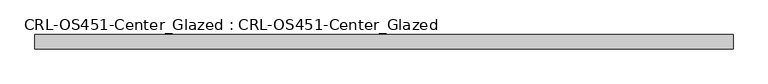
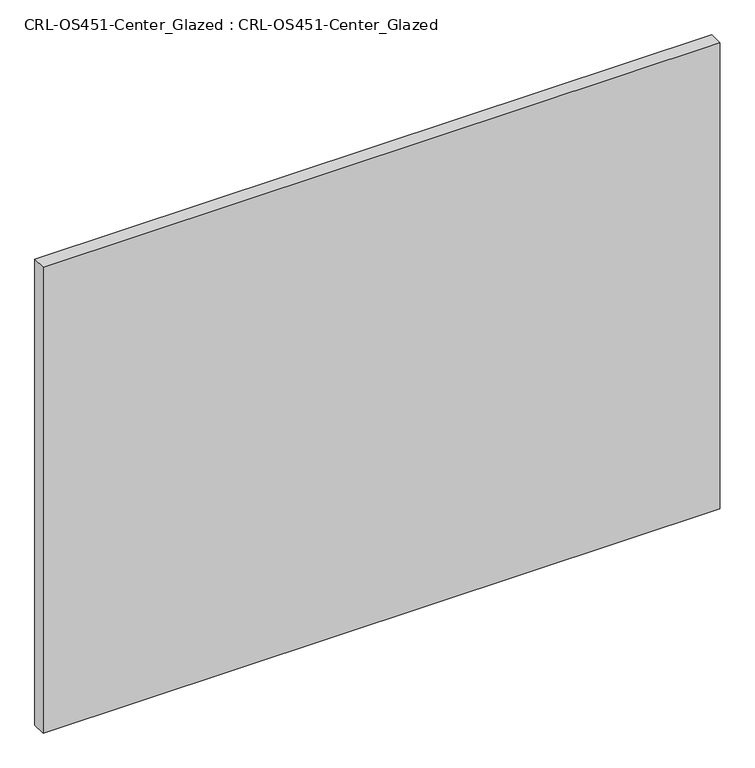
"""IFC4 building model written with IfcOpenShell, lengths in millimetres: plate geometry, CRL-OS451-Center_Glazed : CRL-OS451-Center_Glazed."""

from ifc_helpers import new_model, si_unit, origin, origin_with_axes, place, context, project, spatial, polyline, outline, extrude, source, transform, mapped, element, save


def crl_os451_center_glazed_crl_os451_center_glazed_eed2e019(model_context):
    return source(origin(), model_context, "Body", "SweptSolid", [
        extrude(outline(polyline([(-614.1470615, 12.709956), (614.1470615, 12.709956), (614.1470615, -12.709956), (-614.1470615, -12.709956), (-614.1470615, 12.709956)])), origin_with_axes(), (0.0, 0.0, 1.0), 893.4410342),
    ])


if __name__ == "__main__":
    model = new_model("IFC4")
    model_context = context("Model", 3, world=origin())
    ifc_project = project(units=[si_unit("LENGTHUNIT", "METRE", prefix="MILLI")], contexts=[model_context])
    site = spatial("IfcSite", under=ifc_project)
    building = spatial("IfcBuilding", under=site)
    placement = place(None, origin())
    crl_os451_center_glazed_crl_os451_center_glazed_shape = crl_os451_center_glazed_crl_os451_center_glazed_eed2e019(model_context)
    element("IfcPlate", 1, ObjectType="CRL-OS451-Center_Glazed : CRL-OS451-Center_Glazed", at=placement, inside=building, context=model_context, shape_type="MappedRepresentation", body=[
        mapped(crl_os451_center_glazed_crl_os451_center_glazed_shape, transform((0.0, 0.0, 0.0), x_axis=(1.0, 0.0, 0.0), y_axis=(0.0, 1.0, 0.0), z_axis=(0.0, 0.0, 1.0))),
    ])
    save(model, "model.ifc")
